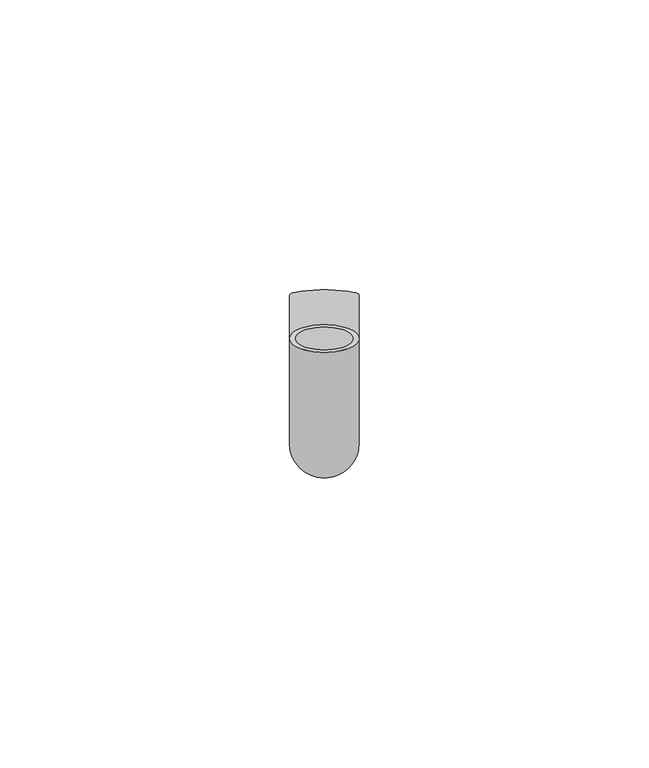
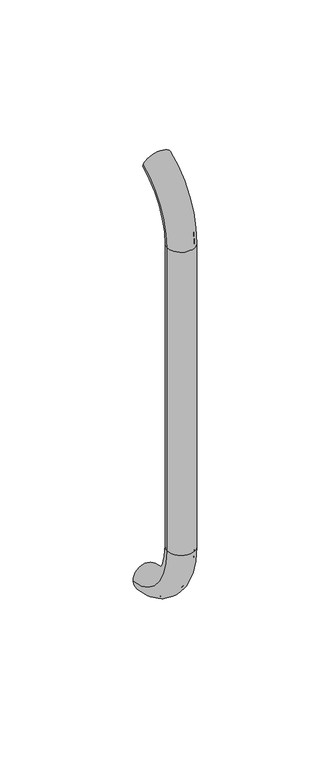
"""IFC4 building model written with IfcOpenShell, lengths in millimetres: beam geometry."""

from ifc_helpers import new_model, si_unit, point, frame, origin, place, context, project, spatial, polyline, circle_curve, ellipse_curve, trimmed, source, transform, mapped, element, save
from ifc_brep_helpers import plane_surface, cylinder_surface, revolved_surface, advanced_brep


def beam_fba18921(model_context):
    return source(origin(), model_context, "Body", "AdvancedBrep", [
        advanced_brep(
        [(3761.5047261, 2444.0395554, 1993.7787656), (3773.5047261, 2444.0395554, 1993.7787656), (3762.5047261, 2444.0395554, 1993.7787656), (3772.5047261, 2444.0395554, 1993.7787656), (3772.5047261, 2425.9629385, 1966.25), (3762.5047261, 2425.9629385, 1966.25), (3773.5047261, 2425.9629385, 1966.25), (3761.5047261, 2425.9629385, 1966.25), (3762.5047261, 2425.9629385, 1826.25), (3772.5047261, 2425.9629385, 1826.25), (3761.5047261, 2425.9629385, 1826.25), (3773.5047261, 2425.9629385, 1826.25), (3761.5047261, 2451.5825147, 1796.5715249), (3773.5047261, 2451.5825147, 1796.5715249), (3762.5047261, 2451.5825147, 1796.5715249), (3772.5047261, 2451.5825147, 1796.5715249)],
        [
            (0, 1, circle_curve(frame((3767.5047261, 2444.0395554, 1993.7787656), z_axis=(0.0, 0.9176255197351176, 0.3974461039321624), x_axis=(1.0, 0.0, 0.0)), 6.0)),
            (1, 0, circle_curve(frame((3767.5047261, 2444.0395554, 1993.7787656), z_axis=(0.0, 0.9176255197351176, 0.3974461039321624), x_axis=(1.0, 0.0, 0.0)), 6.0)),
            (2, 3, circle_curve(frame((3767.5047261, 2444.0395554, 1993.7787656), z_axis=(0.0, -0.9176255197351176, -0.3974461039321624), x_axis=(1.0, 0.0, 0.0)), 5.0)),
            (3, 2, circle_curve(frame((3767.5047261, 2444.0395554, 1993.7787656), z_axis=(0.0, -0.9176255197351176, -0.3974461039321624), x_axis=(1.0, 0.0, 0.0)), 5.0)),
            (4, 3, circle_curve(frame((3772.5047261, 2455.9629385, 1966.25), z_axis=(-1.0, 0.0, 0.0), x_axis=(0.0, -0.3974461039321624, 0.9176255197351176)), 30.0)),
            (2, 5, circle_curve(frame((3762.5047261, 2455.9629385, 1966.25), z_axis=(1.0, 0.0, 0.0), x_axis=(0.0, -0.3974461039321624, 0.9176255197351176)), 30.0)),
            (5, 4, circle_curve(frame((3767.5047261, 2425.9629385, 1966.25), z_axis=(0.0, 0.0, -1.0), x_axis=(1.0, 0.0, 0.0)), 5.0)),
            (4, 5, circle_curve(frame((3767.5047261, 2425.9629385, 1966.25), z_axis=(0.0, 0.0, -1.0), x_axis=(1.0, 0.0, 0.0)), 5.0)),
            (6, 1, circle_curve(frame((3773.5047261, 2455.9629385, 1966.25), z_axis=(-1.0, 0.0, 0.0), x_axis=(0.0, -0.3974461039321624, 0.9176255197351176)), 30.0)),
            (0, 7, circle_curve(frame((3761.5047261, 2455.9629385, 1966.25), z_axis=(1.0, 0.0, 0.0), x_axis=(0.0, -0.3974461039321624, 0.9176255197351176)), 30.0)),
            (7, 6, circle_curve(frame((3767.5047261, 2425.9629385, 1966.25), z_axis=(0.0, 0.0, 1.0), x_axis=(1.0, 0.0, 0.0)), 6.0)),
            (6, 7, circle_curve(frame((3767.5047261, 2425.9629385, 1966.25), z_axis=(0.0, 0.0, 1.0), x_axis=(1.0, 0.0, 0.0)), 6.0)),
            (5, 8),
            (8, 9, circle_curve(frame((3767.5047261, 2425.9629385, 1826.25), z_axis=(0.0, 0.0, -1.0), x_axis=(1.0, 0.0, 0.0)), 5.0)),
            (9, 4),
            (9, 8, circle_curve(frame((3767.5047261, 2425.9629385, 1826.25), z_axis=(0.0, 0.0, -1.0), x_axis=(1.0, 0.0, 0.0)), 5.0)),
            (7, 10),
            (10, 11, circle_curve(frame((3767.5047261, 2425.9629385, 1826.25), z_axis=(0.0, 0.0, 1.0), x_axis=(1.0, 0.0, 0.0)), 6.0)),
            (11, 6),
            (11, 10, circle_curve(frame((3767.5047261, 2425.9629385, 1826.25), z_axis=(0.0, 0.0, 1.0), x_axis=(1.0, 0.0, 0.0)), 6.0)),
            (12, 13, circle_curve(frame((3767.5047261, 2451.5825147, 1796.5715249), z_axis=(0.0, 0.9892825047438852, -0.14601412879466394), x_axis=(1.0, 0.0, 0.0)), 6.0)),
            (13, 12, circle_curve(frame((3767.5047261, 2451.5825147, 1796.5715249), z_axis=(0.0, 0.9892825047438852, -0.14601412879466394), x_axis=(1.0, 0.0, 0.0)), 6.0)),
            (14, 15, circle_curve(frame((3767.5047261, 2451.5825147, 1796.5715249), z_axis=(0.0, -0.9892825047438852, 0.14601412879466394), x_axis=(1.0, 0.0, 0.0)), 5.0)),
            (15, 14, circle_curve(frame((3767.5047261, 2451.5825147, 1796.5715249), z_axis=(0.0, -0.9892825047438852, 0.14601412879466394), x_axis=(1.0, 0.0, 0.0)), 5.0)),
            (15, 9, circle_curve(frame((3772.5047261, 2455.9629385, 1826.25), z_axis=(-1.0, 0.0, 0.0), x_axis=(0.0, -1.0, 0.0)), 30.0)),
            (8, 14, circle_curve(frame((3762.5047261, 2455.9629385, 1826.25), z_axis=(1.0, 0.0, 0.0), x_axis=(0.0, -1.0, 0.0)), 30.0)),
            (13, 11, circle_curve(frame((3773.5047261, 2455.9629385, 1826.25), z_axis=(-1.0, 0.0, 0.0), x_axis=(0.0, -1.0, 0.0)), 30.0)),
            (10, 12, circle_curve(frame((3761.5047261, 2455.9629385, 1826.25), z_axis=(1.0, 0.0, 0.0), x_axis=(0.0, -1.0, 0.0)), 30.0)),
        ],
        [
            plane_surface(frame((3767.5047261, 2444.0395554, 1993.7787656), z_axis=(0.0, 0.9176255197351176, 0.3974461039321624), x_axis=(1.0, 0.0, 0.0))),
            revolved_surface(trimmed(ellipse_curve(frame((3767.5047261, 2444.0395554, 1993.7787656), z_axis=(0.0, -0.9176255197351176, -0.3974461039321624), x_axis=(1.0, 0.0, 0.0)), 5.0, 5.0), [point((3762.5047261, 2444.0395554, 1993.7787656))], [point((3772.5047261, 2444.0395554, 1993.7787656))], True, "CARTESIAN"), (3767.5047261, 2455.9629385, 1966.25), (1.0, 0.0, 0.0)),
            revolved_surface(trimmed(ellipse_curve(frame((3767.5047261, 2444.0395554, 1993.7787656), z_axis=(0.0, -0.9176255197351176, -0.3974461039321624), x_axis=(1.0, 0.0, 0.0)), 5.0, 5.0), [point((3772.5047261, 2444.0395554, 1993.7787656))], [point((3762.5047261, 2444.0395554, 1993.7787656))], True, "CARTESIAN"), (3767.5047261, 2455.9629385, 1966.25), (1.0, 0.0, 0.0)),
            revolved_surface(trimmed(ellipse_curve(frame((3767.5047261, 2444.0395554, 1993.7787656), z_axis=(0.0, 0.9176255197351176, 0.3974461039321624), x_axis=(1.0, 0.0, 0.0)), 6.0, 6.0), [point((3761.5047261, 2444.0395554, 1993.7787656))], [point((3773.5047261, 2444.0395554, 1993.7787656))], True, "CARTESIAN"), (3767.5047261, 2455.9629385, 1966.25), (1.0, 0.0, 0.0)),
            revolved_surface(trimmed(ellipse_curve(frame((3767.5047261, 2444.0395554, 1993.7787656), z_axis=(0.0, 0.9176255197351176, 0.3974461039321624), x_axis=(1.0, 0.0, 0.0)), 6.0, 6.0), [point((3773.5047261, 2444.0395554, 1993.7787656))], [point((3761.5047261, 2444.0395554, 1993.7787656))], True, "CARTESIAN"), (3767.5047261, 2455.9629385, 1966.25), (1.0, 0.0, 0.0)),
            revolved_surface(polyline([(3772.5047261, 2425.9629385, 1826.25), (3772.5047261, 2425.9629385, 1966.25)]), (3767.5047261, 2425.9629385, 1966.25), (0.0, 0.0, -1.0)),
            cylinder_surface(frame((3767.5047261, 2425.9629385, 1966.25), z_axis=(0.0, 0.0, 1.0), x_axis=(1.0, 0.0, 0.0)), 6.0),
            plane_surface(frame((3767.5047261, 2451.5825147, 1796.5715249), z_axis=(0.0, 0.9892825047438852, -0.14601412879466397), x_axis=(1.0, 0.0, 0.0))),
            revolved_surface(trimmed(ellipse_curve(frame((3767.5047261, 2425.9629385, 1826.25), z_axis=(0.0, 0.0, -1.0), x_axis=(1.0, 0.0, 0.0)), 5.0, 5.0), [point((3762.5047261, 2425.9629385, 1826.25))], [point((3772.5047261, 2425.9629385, 1826.25))], True, "CARTESIAN"), (3767.5047261, 2455.9629385, 1826.25), (1.0, 0.0, 0.0)),
            revolved_surface(trimmed(ellipse_curve(frame((3767.5047261, 2425.9629385, 1826.25), z_axis=(0.0, 0.0, -1.0), x_axis=(1.0, 0.0, 0.0)), 5.0, 5.0), [point((3772.5047261, 2425.9629385, 1826.25))], [point((3762.5047261, 2425.9629385, 1826.25))], True, "CARTESIAN"), (3767.5047261, 2455.9629385, 1826.25), (1.0, 0.0, 0.0)),
            revolved_surface(trimmed(ellipse_curve(frame((3767.5047261, 2425.9629385, 1826.25), z_axis=(0.0, 0.0, 1.0), x_axis=(1.0, 0.0, 0.0)), 6.0, 6.0), [point((3761.5047261, 2425.9629385, 1826.25))], [point((3773.5047261, 2425.9629385, 1826.25))], True, "CARTESIAN"), (3767.5047261, 2455.9629385, 1826.25), (1.0, 0.0, 0.0)),
            revolved_surface(trimmed(ellipse_curve(frame((3767.5047261, 2425.9629385, 1826.25), z_axis=(0.0, 0.0, 1.0), x_axis=(1.0, 0.0, 0.0)), 6.0, 6.0), [point((3773.5047261, 2425.9629385, 1826.25))], [point((3761.5047261, 2425.9629385, 1826.25))], True, "CARTESIAN"), (3767.5047261, 2455.9629385, 1826.25), (1.0, 0.0, 0.0)),
        ],
        [
            (0, [[1, 2], [3, 4]]),
            (1, [[5, -3, 6, 7]]),
            (2, [[-6, -4, -5, 8]]),
            (3, [[9, -1, 10, 11]]),
            (4, [[-10, -2, -9, 12]]),
            (5, [[-7, 13, 14, 15]]),
            (5, [[-8, -15, 16, -13]]),
            (6, [[-11, 17, 18, 19]]),
            (6, [[-12, -19, 20, -17]]),
            (7, [[21, 22], [23, 24]]),
            (8, [[25, -14, 26, -24]]),
            (9, [[-26, -16, -25, -23]]),
            (10, [[27, -18, 28, -22]]),
            (11, [[-28, -20, -27, -21]]),
        ],
    ),
    ])


if __name__ == "__main__":
    model = new_model("IFC4")
    model_context = context("Model", 3, world=origin())
    ifc_project = project(units=[si_unit("LENGTHUNIT", "METRE", prefix="MILLI")], contexts=[model_context])
    site = spatial("IfcSite", under=ifc_project)
    building = spatial("IfcBuilding", under=site)
    placement = place(None, origin())
    beam_shape = beam_fba18921(model_context)
    element("IfcBeam", 1, at=placement, inside=building, context=model_context, shape_type="MappedRepresentation", body=[
        mapped(beam_shape, transform((0.0, 0.0, 0.0), x_axis=(1.0, 0.0, 0.0), y_axis=(0.0, 1.0, 0.0), z_axis=(0.0, 0.0, 1.0))),
    ])
    save(model, "model.ifc")
